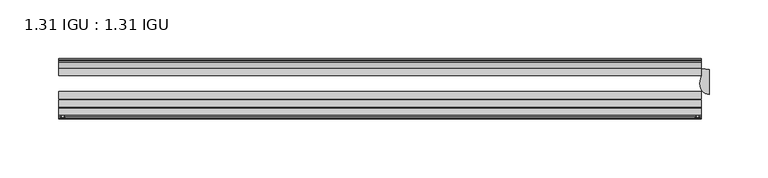
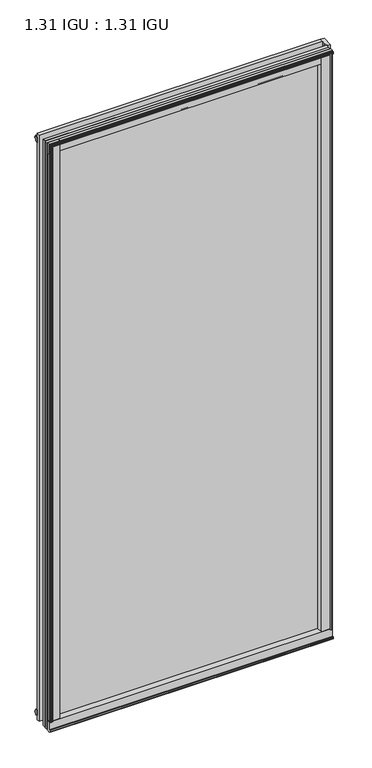
"""IFC4 building model written with IfcOpenShell, lengths in millimetres: plate geometry, 1.31 IGU : 1.31 IGU."""

import ifcopenshell
import ifcopenshell.guid

model = None  # the IFC model being written
_history = None  # IfcOwnerHistory: only IFC2X3 demands one
_inside = {}  # id of a spatial element -> (the spatial element, [elements in it])
_under = {}  # id of a project, library or spatial element -> (it, [spatial elements below it])
_declared = {}  # id of a project -> (the project, [libraries it declares])
_typed = {}  # id of a type object -> (the type object, [elements of that type])
_made_of = {}  # id of a material, layer set ... -> (it, [elements and type objects made of it])


def new_model(schema):
    """Start an empty IFC model of exactly this schema.

    Asked for "IFC4X3", IfcOpenShell would pick the latest addendum, in which some entities
    have other attributes; the version numbers below select the first issue.
    IFC2X3 requires an IfcOwnerHistory on every rooted entity: one is made here for all.
    """
    global model, _history
    if schema == "IFC4X3":
        model = ifcopenshell.file(schema_version=(4, 3, 0, 0))
    else:
        model = ifcopenshell.file(schema=schema)
    _inside.clear()
    _under.clear()
    _declared.clear()
    _typed.clear()
    _made_of.clear()
    _history = None
    if model.schema == "IFC2X3":
        org = make("IfcOrganization", Name="unknown")
        user = make(
            "IfcPersonAndOrganization",
            ThePerson=make("IfcPerson", FamilyName="unknown"),
            TheOrganization=org,
        )
        app = make(
            "IfcApplication",
            ApplicationDeveloper=org,
            Version="unknown",
            ApplicationFullName="unknown",
            ApplicationIdentifier="unknown",
        )
        _history = make(
            "IfcOwnerHistory",
            OwningUser=user,
            OwningApplication=app,
            ChangeAction="ADDED",
            CreationDate=0,
        )
    return model


def make(cls, **values):
    """One entity of the class cls with the attributes given. An attribute that is None is left unset."""
    return model.create_entity(
        cls, **{name: value for name, value in values.items() if value is not None}
    )


def rooted(cls, **values):
    """An entity with a GlobalId (a new one), such as an element, a storey or a relation."""
    return make(cls, GlobalId=ifcopenshell.guid.new(), OwnerHistory=_history, **values)


def si_unit(unit_type, name, prefix=None):
    """IfcSIUnit, for example si_unit("LENGTHUNIT", "METRE", prefix="MILLI")."""
    return make("IfcSIUnit", UnitType=unit_type, Prefix=prefix, Name=name)


def assignment(units):
    """IfcUnitAssignment: the units of a project."""
    return None if units is None else make("IfcUnitAssignment", Units=units)


def point(xyz):
    """IfcCartesianPoint."""
    return None if xyz is None else make("IfcCartesianPoint", Coordinates=xyz)


def direction(xyz):
    """IfcDirection."""
    return None if xyz is None else make("IfcDirection", DirectionRatios=xyz)


def frame(location, z_axis=None, x_axis=None):
    """IfcAxis2Placement3D, a coordinate frame: its origin and axes. An axis left out is left unset."""
    return make(
        "IfcAxis2Placement3D",
        Location=point(location),
        Axis=direction(z_axis),
        RefDirection=direction(x_axis),
    )


def frame_2d(location, x_axis=None):
    """IfcAxis2Placement2D, a coordinate frame in the plane: its origin and x axis."""
    return make(
        "IfcAxis2Placement2D", Location=point(location), RefDirection=direction(x_axis)
    )


def origin():
    """The frame at (0, 0, 0) with its axes left unset."""
    return frame((0.0, 0.0, 0.0))


def origin_with_axes():
    """The frame at (0, 0, 0) with the z axis (0, 0, 1) and the x axis (1, 0, 0) written out."""
    return frame((0.0, 0.0, 0.0), z_axis=(0.0, 0.0, 1.0), x_axis=(1.0, 0.0, 0.0))


def place(relative_to, where):
    """IfcLocalPlacement: puts the frame where relative to a parent placement (None: the world)."""
    return make(
        "IfcLocalPlacement", PlacementRelTo=relative_to, RelativePlacement=where
    )


def context(
    kind, dimensions, precision=None, world=None, true_north=None, identifier=None
):
    """IfcGeometricRepresentationContext, for example the 3D "Model" context."""
    return make(
        "IfcGeometricRepresentationContext",
        ContextIdentifier=identifier,
        ContextType=kind,
        CoordinateSpaceDimension=dimensions,
        Precision=precision,
        WorldCoordinateSystem=world,
        TrueNorth=true_north,
    )


def project(units=None, contexts=None):
    """IfcProject with its units and contexts."""
    return rooted(
        "IfcProject",
        Name="project",
        RepresentationContexts=contexts,
        UnitsInContext=assignment(units),
    )


def spatial(cls, under=None, at=None, **own):
    """A site, building, storey or space (cls), placed at a placement, below another one or the project."""
    s = rooted(cls, ObjectPlacement=at, **own)
    if under is not None:
        _under.setdefault(under.id(), (under, []))[1].append(s)
    return s


def polyline(points):
    """IfcPolyline through the points."""
    return make("IfcPolyline", Points=[point(p) for p in points])


def circle_curve(where, radius):
    """IfcCircle in the frame where."""
    return make("IfcCircle", Position=where, Radius=radius)


def ellipse_curve(where, semi_axis1, semi_axis2):
    """IfcEllipse in the frame where."""
    return make(
        "IfcEllipse", Position=where, SemiAxis1=semi_axis1, SemiAxis2=semi_axis2
    )


def trimmed(basis, trim1, trim2, sense, master):
    """IfcTrimmedCurve: the piece of a basis curve between two trims."""
    return make(
        "IfcTrimmedCurve",
        BasisCurve=basis,
        Trim1=trim1,
        Trim2=trim2,
        SenseAgreement=sense,
        MasterRepresentation=master,
    )


def segment(curve, same_sense, transition):
    """IfcCompositeCurveSegment."""
    return make(
        "IfcCompositeCurveSegment",
        Transition=transition,
        SameSense=same_sense,
        ParentCurve=curve,
    )


def composite_curve(segments, self_intersect=None):
    """IfcCompositeCurve: segments joined end to end."""
    return make("IfcCompositeCurve", Segments=segments, SelfIntersect=self_intersect)


def outline(outer, holes=None, kind="AREA"):
    """IfcArbitraryClosedProfileDef: a profile drawn as a closed curve; with holes, ...WithVoids."""
    if holes is None:
        return make("IfcArbitraryClosedProfileDef", ProfileType=kind, OuterCurve=outer)
    return make(
        "IfcArbitraryProfileDefWithVoids",
        ProfileType=kind,
        OuterCurve=outer,
        InnerCurves=holes,
    )


def extrude(swept, where, along, depth):
    """IfcExtrudedAreaSolid: the profile swept, set in the frame where, extruded along a direction by depth."""
    return make(
        "IfcExtrudedAreaSolid",
        SweptArea=swept,
        Position=where,
        ExtrudedDirection=direction(along),
        Depth=depth,
    )


def shape(context_of_items, identifier, shape_type, items):
    """IfcShapeRepresentation: the items that make up one representation, for example the "Body"."""
    return make(
        "IfcShapeRepresentation",
        ContextOfItems=context_of_items,
        RepresentationIdentifier=identifier,
        RepresentationType=shape_type,
        Items=items,
    )


def source(mapping_origin, context_of_items, identifier, shape_type, items):
    """IfcRepresentationMap: a shape defined once, which mapped items show again and again."""
    return make(
        "IfcRepresentationMap",
        MappingOrigin=mapping_origin,
        MappedRepresentation=shape(context_of_items, identifier, shape_type, items),
    )


def transform(
    local_origin,
    x_axis=None,
    y_axis=None,
    z_axis=None,
    scale=None,
    scale2=None,
    scale3=None,
    uniform=True,
):
    """IfcCartesianTransformationOperator3D, or its non-uniform kind. x_axis, y_axis, z_axis: its Axis1, 2, 3."""
    if uniform:
        return make(
            "IfcCartesianTransformationOperator3D",
            Axis1=direction(x_axis),
            Axis2=direction(y_axis),
            LocalOrigin=point(local_origin),
            Scale=scale,
            Axis3=direction(z_axis),
        )
    return make(
        "IfcCartesianTransformationOperator3DnonUniform",
        Axis1=direction(x_axis),
        Axis2=direction(y_axis),
        LocalOrigin=point(local_origin),
        Scale=scale,
        Axis3=direction(z_axis),
        Scale2=scale2,
        Scale3=scale3,
    )


def mapped(mapping_source, mapping_target):
    """IfcMappedItem: shows the shape of a source again, moved by a transform."""
    return make(
        "IfcMappedItem", MappingSource=mapping_source, MappingTarget=mapping_target
    )


def made_of(thing, what):
    """Note that an element or type object is made of a material, layer set ...; save() writes the relation."""
    if what is not None:
        _made_of.setdefault(what.id(), (what, []))[1].append(thing)
    return thing


def element(
    cls,
    number,
    at=None,
    inside=None,
    cuts=None,
    type_object=None,
    material=None,
    context=None,
    identifier="Body",
    shape_type=None,
    held_by="IfcProductDefinitionShape",
    body=None,
    shapes=None,
    **own,
):
    """One element of the class cls, such as IfcWall. Its Tag is "e" and its number.

    at: its placement. inside: the storey or other place that contains it. cuts: it is an
    opening in that element (IfcRelVoidsElement). A single representation is given by context,
    identifier, shape_type and body (its items); several are given by shapes. held_by: the class
    of the entity that holds the representations. save() writes the other relations.
    """
    e = rooted(cls, Tag="e%d" % number, ObjectPlacement=at, **own)
    if body is not None:
        shapes = [shape(context, identifier, shape_type, body)]
    if shapes is not None:
        e.Representation = make(held_by, Representations=shapes)
    if inside is not None:
        _inside.setdefault(inside.id(), (inside, []))[1].append(e)
    if cuts is not None:
        rooted(
            "IfcRelVoidsElement", RelatingBuildingElement=cuts, RelatedOpeningElement=e
        )
    if type_object is not None:
        _typed.setdefault(type_object.id(), (type_object, []))[1].append(e)
    return made_of(e, material)


def aggregate(whole, parts):
    """IfcRelAggregates: a whole, such as a stair, and the parts it consists of."""
    return rooted("IfcRelAggregates", RelatingObject=whole, RelatedObjects=parts)


def save(model, path):
    """Write the relations noted so far, then the file.

    IfcRelAggregates (storeys below a building ...), IfcRelContainedInSpatialStructure (elements
    in a storey), IfcRelDefinesByType, IfcRelAssociatesMaterial and IfcRelDeclares: one each for
    every whole, place, type object, material and project.
    """
    for whole, parts in _under.values():
        aggregate(whole, parts)
    for where, things in _inside.values():
        rooted(
            "IfcRelContainedInSpatialStructure",
            RelatedElements=things,
            RelatingStructure=where,
        )
    for kind, things in _typed.values():
        rooted("IfcRelDefinesByType", RelatedObjects=things, RelatingType=kind)
    for what, things in _made_of.values():
        rooted("IfcRelAssociatesMaterial", RelatedObjects=things, RelatingMaterial=what)
    for by, libraries in _declared.values():
        rooted("IfcRelDeclares", RelatingContext=by, RelatedDefinitions=libraries)
    model.write(path)


def plane_surface(at):
    """IfcPlane: the flat surface through the origin of the frame at, square to its z axis."""
    return make("IfcPlane", Position=at)


def cylinder_surface(at, radius):
    """IfcCylindricalSurface: all points at the distance radius from the z axis of the frame at."""
    return make("IfcCylindricalSurface", Position=at, Radius=radius)


def revolved_surface(curve, axis_point, axis_direction):
    """IfcSurfaceOfRevolution: the curve turned about the line through axis_point along axis_direction."""
    return make(
        "IfcSurfaceOfRevolution",
        SweptCurve=make("IfcArbitraryOpenProfileDef", ProfileType="CURVE", Curve=curve),
        AxisPosition=make("IfcAxis1Placement", Location=point(axis_point), Axis=direction(axis_direction)),
    )


def extruded_surface(curve, direction_of_extrusion, depth):
    """IfcSurfaceOfLinearExtrusion: the curve pushed along a direction by depth."""
    return make(
        "IfcSurfaceOfLinearExtrusion",
        SweptCurve=make("IfcArbitraryOpenProfileDef", ProfileType="CURVE", Curve=curve),
        ExtrudedDirection=direction(direction_of_extrusion),
        Depth=depth,
    )


def advanced_brep(points, edges, surfaces, faces):
    """IfcAdvancedBrep: a solid bounded by faces that lie on surfaces and meet in shared edges.

    An edge is (start, end): straight between two places in points (the first is 0);
    or (start, end, curve); or (start, end, curve, False) where it runs against its curve.
    A face is (place in surfaces, loops), or (place, loops, False) where it looks against
    its surface's normal. A loop lists edges by number (the first is 1), with a minus sign
    where the edge is run from its end to its start. The first loop is the outer one.
    """
    corners = [point(p) for p in points]
    vertices = [make("IfcVertexPoint", VertexGeometry=c) for c in corners]
    made = []
    for start, end, *more in edges:
        made.append(
            make(
                "IfcEdgeCurve",
                EdgeStart=vertices[start],
                EdgeEnd=vertices[end],
                EdgeGeometry=more[0] if more else make("IfcPolyline", Points=[corners[start], corners[end]]),
                SameSense=more[1] if len(more) > 1 else True,
            )
        )
    hull = []
    for where, loops, *sense in faces:
        bounds = []
        for j, loop in enumerate(loops):
            ring = [make("IfcOrientedEdge", EdgeElement=made[abs(k) - 1], Orientation=k > 0) for k in loop]
            bounds.append(
                make(
                    "IfcFaceOuterBound" if j == 0 else "IfcFaceBound",
                    Bound=make("IfcEdgeLoop", EdgeList=ring),
                    Orientation=True,
                )
            )
        hull.append(make("IfcAdvancedFace", Bounds=bounds, FaceSurface=surfaces[where], SameSense=sense[0] if sense else True))
    return make("IfcAdvancedBrep", Outer=make("IfcClosedShell", CfsFaces=hull))


def plate_1_31_igu_1_31_igu_94a9f9d6(model_context):
    return source(origin(), model_context, "Body", "SolidModel", [
        extrude(outline(composite_curve([segment(polyline([(271.4745906, -57.6333938), (255.2898437, -57.6333938)]), True, "CONTINUOUS"), segment(trimmed(circle_curve(frame_2d((247.9951146, -57.6547678)), 7.2947605), [point((255.2898437, -57.6333938))], [point((251.5474551, -51.2833938))], True, "CARTESIAN"), True, "CONTINUOUS"), segment(polyline([(251.5474551, -51.2833938), (274.417876, -51.2833938)]), True, "CONTINUOUS"), segment(trimmed(circle_curve(frame_2d((274.417876, -52.0707938)), 0.7874), [point((274.417876, -51.2833938))], [point((275.1994069, -51.9748338))], False, "CARTESIAN"), True, "CONTINUOUS"), segment(polyline([(275.1994069, -51.9748338), (275.8941906, -57.6333938), (273.9637906, -57.6333938), (273.5065906, -59.624458), (274.5079525, -59.3561439), (274.7511906, -60.263921), (272.7191906, -60.8083938), (270.6871906, -60.263921), (270.9304288, -59.3561439), (271.9317906, -59.624458), (271.4745906, -57.6333938)]), True, "CONTINUOUS")], self_intersect=False)), origin_with_axes(), (0.0, 0.0, 1.0), 1174.75),
        extrude(outline(composite_curve([segment(polyline([(-249.2375, -57.6333937), (-265.4222469, -57.6333937), (-265.8794469, -59.624458), (-264.878085, -59.3561439), (-264.6348469, -60.263921), (-266.6668469, -60.8083937), (-268.6988469, -60.263921), (-268.4556088, -59.3561439), (-267.4542469, -59.624458), (-267.9114469, -57.6333937), (-269.8418469, -57.6333937), (-269.1470631, -51.9748338)]), True, "CONTINUOUS"), segment(trimmed(circle_curve(frame_2d((-268.3655323, -52.0707937)), 0.7874), [point((-269.1470631, -51.9748338))], [point((-268.3655323, -51.2833937))], False, "CARTESIAN"), True, "CONTINUOUS"), segment(polyline([(-268.3655323, -51.2833937), (-245.4951114, -51.2833937)]), True, "CONTINUOUS"), segment(trimmed(circle_curve(frame_2d((-241.9427708, -57.6547678)), 7.2947605), [point((-245.4951114, -51.2833937))], [point((-249.2375, -57.6333937))], True, "CARTESIAN"), True, "CONTINUOUS")], self_intersect=False)), origin_with_axes(), (0.0, 0.0, 1.0), 1174.75),
        extrude(outline(polyline([(-9.7543937, -6.8579998), (-10.4009552, -9.2709998), (-11.2596632, -9.0409097), (-10.8839895, -7.6388763), (-13.1833937, -8.3819998), (-13.1833937, -11.7850089), (-17.9585937, -10.1533914), (-17.9585937, 0.6595133), (-13.1833937, -0.5079998), (-13.1833937, -5.4609998), (-10.8839895, -6.0771233), (-11.2596632, -4.6750899), (-10.4009552, -4.4449998), (-9.7543937, -6.8579998)])), frame((-269.875, 0.0, 0.0), z_axis=(1.0, 0.0, 0.0), x_axis=(0.0, 1.0, 0.0)), (0.0, 0.0, 1.0), 545.8023438),
        extrude(outline(composite_curve([segment(polyline([(-51.9748338, -19.930016), (-57.6333937, -20.6247998), (-57.6333937, -18.6943998), (-59.624458, -18.2371998), (-59.3561439, -19.2385617), (-60.263921, -19.4817998), (-60.8083937, -17.4497998), (-60.263921, -15.4177998), (-59.3561439, -15.6610379), (-59.624458, -16.6623998), (-57.6333937, -16.2051998), (-57.6333937, 0.0127002)]), True, "CONTINUOUS"), segment(trimmed(circle_curve(frame_2d((-58.1588233, 7.9620141)), 7.9666598), [point((-57.6333937, 0.0127002))], [point((-51.2833937, 3.9375717))], True, "CARTESIAN"), True, "CONTINUOUS"), segment(polyline([(-51.2833937, 3.9375717), (-51.2833937, -19.1484852)]), True, "CONTINUOUS"), segment(trimmed(circle_curve(frame_2d((-52.0707937, -19.1484852)), 0.7874), [point((-51.2833937, -19.1484852))], [point((-51.9748338, -19.930016))], False, "CARTESIAN"), True, "CONTINUOUS")], self_intersect=False)), frame((-269.875, 0.0, 0.0), z_axis=(1.0, 0.0, 0.0), x_axis=(0.0, 1.0, 0.0)), (0.0, 0.0, 1.0), 545.8023438),
        extrude(outline(polyline([(-17.9585937, 1165.8533914), (-13.1833937, 1167.4850089), (-13.1833937, 1164.0819998), (-10.8839895, 1163.3388763), (-11.2596632, 1164.7409097), (-10.4009552, 1164.9709998), (-9.7543937, 1162.5579998), (-10.4009552, 1160.1449998), (-11.2596632, 1160.3750899), (-10.8839895, 1161.7771233), (-13.1833937, 1161.1609998), (-13.1833937, 1156.2079998), (-17.9585937, 1155.0404867), (-17.9585937, 1165.8533914)])), frame((-269.875, 0.0, 0.0), z_axis=(1.0, 0.0, 0.0), x_axis=(0.0, 1.0, 0.0)), (0.0, 0.0, 1.0), 545.8023438),
        extrude(outline(composite_curve([segment(trimmed(circle_curve(frame_2d((-52.0707937, 1174.8484852)), 0.7874), [point((-51.9748338, 1175.630016))], [point((-51.2833937, 1174.8484852))], False, "CARTESIAN"), True, "CONTINUOUS"), segment(polyline([(-51.2833937, 1174.8484852), (-51.2833937, 1151.7624283)]), True, "CONTINUOUS"), segment(trimmed(circle_curve(frame_2d((-58.1588233, 1147.7379859)), 7.9666598), [point((-51.2833937, 1151.7624283))], [point((-57.6333937, 1155.6872998))], True, "CARTESIAN"), True, "CONTINUOUS"), segment(polyline([(-57.6333937, 1155.6872998), (-57.6333937, 1171.9051998), (-59.624458, 1172.3623998), (-59.3561439, 1171.3610379), (-60.263921, 1171.1177998), (-60.8083937, 1173.1497998), (-60.263921, 1175.1817998), (-59.3561439, 1174.9385617), (-59.624458, 1173.9371998), (-57.6333937, 1174.3943998), (-57.6333937, 1176.3247998), (-51.9748338, 1175.630016)]), True, "CONTINUOUS")], self_intersect=False)), frame((-269.875, 0.0, 0.0), z_axis=(1.0, 0.0, 0.0), x_axis=(0.0, 1.0, 0.0)), (0.0, 0.0, 1.0), 545.8023438),
        advanced_brep(
        [(282.575, -18.9011397, 1174.75), (276.225, -17.9585938, 1174.75), (276.225, -24.3085938, 1174.75), (274.7661175, -31.0522938, 1174.75), (282.575, -40.2563586, 1174.75), (282.575, -18.9011397, 0.0), (282.575, -40.2563586, 0.0), (274.7661175, -31.0522938, 0.0), (276.225, -24.3085938, 0.0), (276.225, -17.9585938, 0.0)],
        [
            (0, 1, circle_curve(frame((282.575, 2.9603377, 1174.75), z_axis=(0.0, 0.0, -1.0), x_axis=(0.0, 1.0, 0.0)), 21.8614773)),
            (1, 2),
            (2, 3, circle_curve(frame((291.0819713, -31.0522938, 1174.75), z_axis=(0.0, 0.0, 1.0), x_axis=(0.0, 1.0, 0.0)), 16.3158538)),
            (3, 4, ellipse_curve(frame((282.575, -31.0522938, 1174.75), z_axis=(0.0, 0.0, 1.0), x_axis=(0.0, -1.0, 0.0)), 9.2040648, 7.8088825)),
            (4, 0),
            (5, 6),
            (6, 7, ellipse_curve(frame((282.575, -31.0522938, 0.0), z_axis=(0.0, 0.0, -1.0), x_axis=(0.0, -1.0, 0.0)), 9.2040648, 7.8088825)),
            (7, 8, circle_curve(frame((291.0819713, -31.0522938, 0.0), z_axis=(0.0, 0.0, -1.0), x_axis=(0.0, 1.0, 0.0)), 16.3158538)),
            (8, 9),
            (9, 5, circle_curve(frame((282.575, 2.9603377, 0.0), z_axis=(0.0, 0.0, 1.0), x_axis=(0.0, 1.0, 0.0)), 21.8614773)),
            (0, 5),
            (9, 1),
            (8, 2),
            (7, 3),
            (6, 4),
        ],
        [
            plane_surface(frame((250.825, -11.6085938, 1174.75), z_axis=(0.0, 0.0, 1.0), x_axis=(0.0, 1.0, 0.0))),
            plane_surface(frame((250.825, -11.6085938, 0.0), z_axis=(0.0, 0.0, -1.0), x_axis=(0.0, 1.0, 0.0))),
            revolved_surface(polyline([(282.575, 24.821815, 0.0), (282.575, 24.821815, 1174.75)]), (282.575, 2.9603377, 1174.75), (0.0, 0.0, -1.0)),
            plane_surface(frame((276.225, -17.9585938, 1174.75), z_axis=(-1.0, 0.0, 0.0), x_axis=(0.0, 0.0, -1.0))),
            cylinder_surface(frame((291.0819713, -31.0522938, 1174.75), z_axis=(0.0, 0.0, 1.0), x_axis=(0.0, 1.0, 0.0)), 16.3158538),
            extruded_surface(trimmed(ellipse_curve(frame((282.575, -31.0522938, 0.0), z_axis=(0.0, 0.0, 1.0), x_axis=(0.0, -1.0, 0.0)), 9.2040648, 7.8088825), [point((274.7661175, -31.0522938, 0.0))], [point((282.575, -40.2563586, 0.0))], True, "CARTESIAN"), (0.0, 0.0, 1174.75), 1174.75),
            plane_surface(frame((282.575, -40.2563586, 1174.75), z_axis=(1.0, 0.0, 0.0), x_axis=(0.0, 0.0, -1.0))),
        ],
        [
            (0, [[1, 2, 3, 4, 5]]),
            (1, [[6, 7, 8, 9, 10]]),
            (2, [[-1, 11, -10, 12]]),
            (3, [[-2, -12, -9, 13]]),
            (4, [[-3, -13, -8, 14]]),
            (5, [[-4, -14, -7, 15]]),
            (6, [[-5, -15, -6, -11]]),
        ],
    ),
        extrude(outline(polyline([(-258.4638763, -10.8839895), (-259.8659097, -11.2596632), (-260.0959998, -10.4009552), (-257.6829998, -9.7543937), (-255.2699998, -10.4009552), (-255.5000899, -11.2596632), (-256.9021233, -10.8839895), (-256.2859998, -13.1833937), (-251.3329998, -13.1833937), (-250.1654867, -17.9585937), (-260.9783914, -17.9585937), (-262.6100089, -13.1833937), (-259.2069998, -13.1833937), (-258.4638763, -10.8839895)])), origin_with_axes(), (0.0, 0.0, 1.0), 1155.7),
        extrude(outline(polyline([(275.9273437, -17.9585937), (275.9273437, -24.3085937), (-269.875, -24.3085937), (-269.875, -17.9585937), (275.9273437, -17.9585937)])), frame((0.0, 0.0, -19.0372998), z_axis=(0.0, 0.0, 1.0), x_axis=(1.0, 0.0, 0.0)), (0.0, 0.0, 1.0), 1193.7872998),
        extrude(outline(polyline([(-269.875, -44.1459937), (-269.875, -37.7959937), (275.9273437, -37.7959937), (275.9273437, -44.1459937), (-269.875, -44.1459937)])), frame((0.0, 0.0, -19.0372998), z_axis=(0.0, 0.0, 1.0), x_axis=(1.0, 0.0, 0.0)), (0.0, 0.0, 1.0), 1193.7872998),
        extrude(outline(polyline([(-269.875, -51.2833937), (-269.875, -44.9333937), (275.9273437, -44.9333937), (275.9273437, -51.2833937), (-269.875, -51.2833937)])), frame((0.0, 0.0, -19.0372998), z_axis=(0.0, 0.0, 1.0), x_axis=(1.0, 0.0, 0.0)), (0.0, 0.0, 1.0), 1193.7872998),
    ])


if __name__ == "__main__":
    model = new_model("IFC4")
    model_context = context("Model", 3, world=origin())
    ifc_project = project(units=[si_unit("LENGTHUNIT", "METRE", prefix="MILLI")], contexts=[model_context])
    site = spatial("IfcSite", under=ifc_project)
    building = spatial("IfcBuilding", under=site)
    placement = place(None, origin())
    plate_1_31_igu_1_31_igu_shape = plate_1_31_igu_1_31_igu_94a9f9d6(model_context)
    element("IfcPlate", 1, ObjectType="1.31 IGU : 1.31 IGU", at=placement, inside=building, context=model_context, shape_type="MappedRepresentation", body=[
        mapped(plate_1_31_igu_1_31_igu_shape, transform((0.0, 0.0, 0.0), x_axis=(1.0, 0.0, 0.0), y_axis=(0.0, 1.0, 0.0), z_axis=(0.0, 0.0, 1.0))),
    ])
    save(model, "model.ifc")
